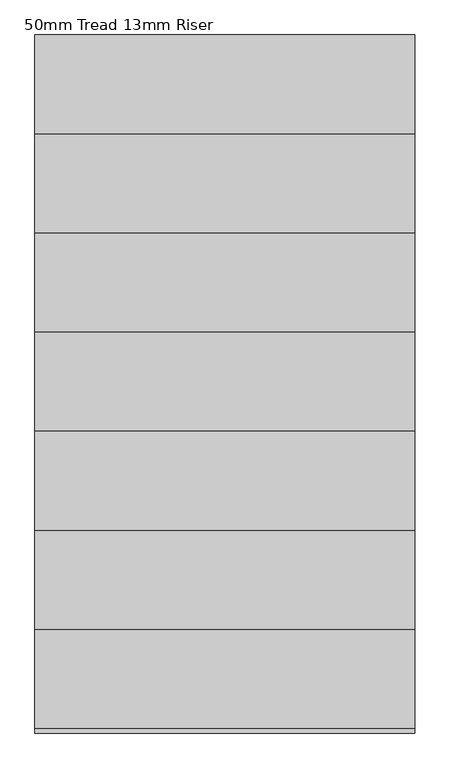
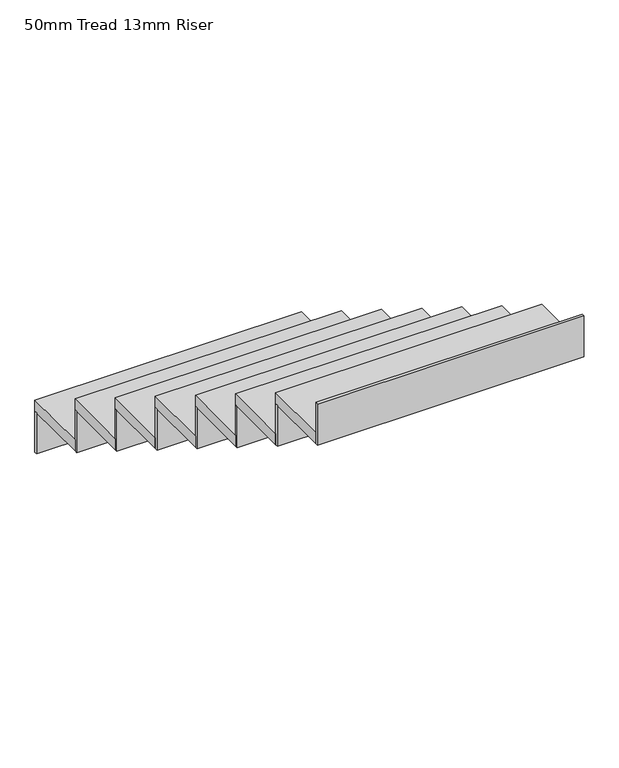
"""IFC4 building model written with IfcOpenShell, lengths in millimetres: stair flight geometry, 50mm Tread 13mm Riser."""

from ifc_helpers import new_model, si_unit, frame, origin, place, context, project, spatial, polyline, outline, extrude, source, transform, mapped, element, save


def stair_flight_50mm_tread_13mm_riser_d7572737(model_context):
    return source(origin(), model_context, "Body", "SweptSolid", [
        extrude(outline(polyline([(1684.355623, -9384.865151), (1684.355623, -9372.365151), (2834.355623, -9372.365151), (2834.355623, -9384.865151), (1684.355623, -9384.865151)])), frame((0.0, 0.0, 1450.0), z_axis=(0.0, 0.0, 1.0), x_axis=(1.0, 0.0, 0.0)), (0.0, 0.0, 1.0), 187.5),
        extrude(outline(polyline([(2834.355623, -9672.365151), (1684.355623, -9672.365151), (1684.355623, -9372.365151), (2834.355623, -9372.365151), (2834.355623, -9672.365151)])), frame((0.0, 0.0, 1637.5), z_axis=(0.0, 0.0, 1.0), x_axis=(1.0, 0.0, 0.0)), (0.0, 0.0, 1.0), 50.0),
        extrude(outline(polyline([(1684.355623, -9684.865151), (1684.355623, -9672.365151), (2834.355623, -9672.365151), (2834.355623, -9684.865151), (1684.355623, -9684.865151)])), frame((0.0, 0.0, 1637.5), z_axis=(0.0, 0.0, 1.0), x_axis=(1.0, 0.0, 0.0)), (0.0, 0.0, 1.0), 187.5),
        extrude(outline(polyline([(2834.355623, -9972.365151), (1684.355623, -9972.365151), (1684.355623, -9672.365151), (2834.355623, -9672.365151), (2834.355623, -9972.365151)])), frame((0.0, 0.0, 1825.0), z_axis=(0.0, 0.0, 1.0), x_axis=(1.0, 0.0, 0.0)), (0.0, 0.0, 1.0), 50.0),
        extrude(outline(polyline([(1684.355623, -9984.865151), (1684.355623, -9972.365151), (2834.355623, -9972.365151), (2834.355623, -9984.865151), (1684.355623, -9984.865151)])), frame((0.0, 0.0, 1825.0), z_axis=(0.0, 0.0, 1.0), x_axis=(1.0, 0.0, 0.0)), (0.0, 0.0, 1.0), 187.5),
        extrude(outline(polyline([(2834.355623, -10272.365151), (1684.355623, -10272.365151), (1684.355623, -9972.365151), (2834.355623, -9972.365151), (2834.355623, -10272.365151)])), frame((0.0, 0.0, 2012.5), z_axis=(0.0, 0.0, 1.0), x_axis=(1.0, 0.0, 0.0)), (0.0, 0.0, 1.0), 50.0),
        extrude(outline(polyline([(1684.355623, -10284.865151), (1684.355623, -10272.365151), (2834.355623, -10272.365151), (2834.355623, -10284.865151), (1684.355623, -10284.865151)])), frame((0.0, 0.0, 2012.5), z_axis=(0.0, 0.0, 1.0), x_axis=(1.0, 0.0, 0.0)), (0.0, 0.0, 1.0), 187.5),
        extrude(outline(polyline([(2834.355623, -10572.365151), (1684.355623, -10572.365151), (1684.355623, -10272.365151), (2834.355623, -10272.365151), (2834.355623, -10572.365151)])), frame((0.0, 0.0, 2200.0), z_axis=(0.0, 0.0, 1.0), x_axis=(1.0, 0.0, 0.0)), (0.0, 0.0, 1.0), 50.0),
        extrude(outline(polyline([(1684.355623, -10584.865151), (1684.355623, -10572.365151), (2834.355623, -10572.365151), (2834.355623, -10584.865151), (1684.355623, -10584.865151)])), frame((0.0, 0.0, 2200.0), z_axis=(0.0, 0.0, 1.0), x_axis=(1.0, 0.0, 0.0)), (0.0, 0.0, 1.0), 187.5),
        extrude(outline(polyline([(2834.355623, -10872.365151), (1684.355623, -10872.365151), (1684.355623, -10572.365151), (2834.355623, -10572.365151), (2834.355623, -10872.365151)])), frame((0.0, 0.0, 2387.5), z_axis=(0.0, 0.0, 1.0), x_axis=(1.0, 0.0, 0.0)), (0.0, 0.0, 1.0), 50.0),
        extrude(outline(polyline([(1684.355623, -10884.865151), (1684.355623, -10872.365151), (2834.355623, -10872.365151), (2834.355623, -10884.865151), (1684.355623, -10884.865151)])), frame((0.0, 0.0, 2387.5), z_axis=(0.0, 0.0, 1.0), x_axis=(1.0, 0.0, 0.0)), (0.0, 0.0, 1.0), 187.5),
        extrude(outline(polyline([(2834.355623, -11172.365151), (1684.355623, -11172.365151), (1684.355623, -10872.365151), (2834.355623, -10872.365151), (2834.355623, -11172.365151)])), frame((0.0, 0.0, 2575.0), z_axis=(0.0, 0.0, 1.0), x_axis=(1.0, 0.0, 0.0)), (0.0, 0.0, 1.0), 50.0),
        extrude(outline(polyline([(1684.355623, -11184.865151), (1684.355623, -11172.365151), (2834.355623, -11172.365151), (2834.355623, -11184.865151), (1684.355623, -11184.865151)])), frame((0.0, 0.0, 2575.0), z_axis=(0.0, 0.0, 1.0), x_axis=(1.0, 0.0, 0.0)), (0.0, 0.0, 1.0), 187.5),
        extrude(outline(polyline([(1684.355623, -11484.865151), (1684.355623, -11472.365151), (2834.355623, -11472.365151), (2834.355623, -11484.865151), (1684.355623, -11484.865151)])), frame((0.0, 0.0, 2762.5), z_axis=(0.0, 0.0, 1.0), x_axis=(1.0, 0.0, 0.0)), (0.0, 0.0, 1.0), 187.5),
        extrude(outline(polyline([(2834.355623, -11472.365151), (1684.355623, -11472.365151), (1684.355623, -11172.365151), (2834.355623, -11172.365151), (2834.355623, -11472.365151)])), frame((0.0, 0.0, 2762.5), z_axis=(0.0, 0.0, 1.0), x_axis=(1.0, 0.0, 0.0)), (0.0, 0.0, 1.0), 50.0),
    ])


if __name__ == "__main__":
    model = new_model("IFC4")
    model_context = context("Model", 3, world=origin())
    ifc_project = project(units=[si_unit("LENGTHUNIT", "METRE", prefix="MILLI")], contexts=[model_context])
    site = spatial("IfcSite", under=ifc_project)
    building = spatial("IfcBuilding", under=site)
    placement = place(None, origin())
    stair_flight_50mm_tread_13mm_riser_shape = stair_flight_50mm_tread_13mm_riser_d7572737(model_context)
    element("IfcStairFlight", 1, ObjectType="50mm Tread 13mm Riser", at=placement, inside=building, context=model_context, shape_type="MappedRepresentation", body=[
        mapped(stair_flight_50mm_tread_13mm_riser_shape, transform((0.0, 0.0, 0.0), x_axis=(1.0, 0.0, 0.0), y_axis=(0.0, 1.0, 0.0), z_axis=(0.0, 0.0, 1.0))),
    ])
    save(model, "model.ifc")
